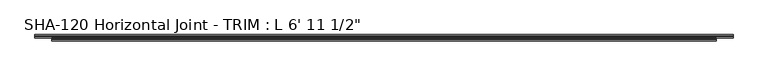
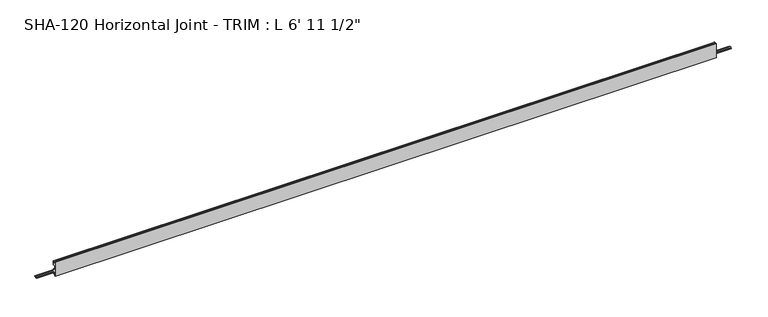
"""IFC4 building model written with IfcOpenShell, lengths in millimetres: proxy geometry."""

from ifc_helpers import new_model, si_unit, frame, origin, place, context, project, spatial, polyline, circle_curve, source, transform, mapped, element, save
from ifc_brep_helpers import plane_surface, cylinder_surface, revolved_surface, advanced_brep


def proxy_7db83fa3(model_context):
    return source(origin(), model_context, "Body", "AdvancedBrep", [
        advanced_brep(
        [(2120.9, -10.5641724, -14.5120878), (2120.9, -10.5641724, -16.0868881), (2120.9, -7.5495099, -16.0868881), (2120.9, -4.3999099, -16.0868881), (2120.9, -1.0391724, -16.0868881), (2120.9, -1.0391724, -14.5120878), (2120.9, -4.3999099, -14.5120878), (2120.9, -7.5495099, -14.5120878), (0.0, -10.5641724, -16.0868881), (0.0, -10.5641724, -14.5120878), (0.0, -7.5495099, -14.5120878), (0.0, -4.3999099, -14.5120878), (0.0, -1.0391724, -14.5120878), (0.0, -1.0391724, -16.0868881), (0.0, -4.3999099, -16.0868881), (0.0, -7.5495099, -16.0868881), (2070.1, -12.8855416, 21.9656491), (2070.1, -11.756868, 22.4248425), (2070.1, -10.5641724, 21.8995653), (50.8, -10.5641724, 21.8995653), (50.8, -11.756868, 22.4248425), (50.8, -12.8855416, 21.9656491), (2070.1, -10.5641724, 9.8147622), (50.8, -10.5641724, 9.8147622), (2070.1, -17.2443724, 9.8147622), (50.8, -17.2443724, 9.8147622), (2070.1, -18.5143724, 8.5447622), (50.8, -18.5143724, 8.5447622), (2070.1, -18.5143724, -4.3266878), (50.8, -18.5143724, -4.3266878), (2070.1, -10.5664, -4.3266878), (50.8, -10.5664, -4.3266878), (2070.1, -10.5664, -14.5120878), (50.8, -10.5664, -14.5120878), (2070.1, -10.5641724, -16.0868881), (50.8, -10.5664, -16.0868881), (2070.1, -10.5664, -17.6616881), (50.8, -10.5664, -17.6616881), (2070.1, -12.8070246, -17.6616881), (50.8, -12.8070246, -17.6616881), (2070.1, -14.7028353, -6.590154), (50.8, -14.7028353, -6.590154), (2070.1, -16.9116736, -6.590154), (50.8, -16.9116736, -6.590154), (2070.1, -16.9116736, -22.4241878), (50.8, -16.9116736, -22.4241878), (2070.1, -20.0891724, -22.4241878), (50.8, -20.0891724, -22.4241878), (2070.1, -20.0891724, 22.4241878), (50.8, -20.0891724, 22.4241878), (2070.1, -16.9116736, 22.4241878), (50.8, -16.9116736, 22.4241878), (2070.1, -16.9116736, 11.3895622), (50.8, -16.9116736, 11.3895622), (2070.1, -14.6965154, 11.3895622), (50.8, -14.6965154, 11.3895622)],
        [
            (0, 1),
            (1, 2),
            (2, 3, circle_curve(frame((2120.9, -5.9747099, -16.0868881), z_axis=(1.0, 0.0, 0.0), x_axis=(0.0, -1.0, 0.0)), 1.5748)),
            (3, 4),
            (4, 5),
            (5, 6),
            (6, 7, circle_curve(frame((2120.9, -5.9747099, -14.5120878), z_axis=(1.0, 0.0, 0.0), x_axis=(0.0, -1.0, 0.0)), 1.5748)),
            (7, 0),
            (8, 9),
            (9, 10),
            (10, 11, circle_curve(frame((0.0, -5.9747099, -14.5120878), z_axis=(-1.0, 0.0, 0.0), x_axis=(0.0, -1.0, 0.0)), 1.5748)),
            (11, 12),
            (12, 13),
            (13, 14),
            (14, 15, circle_curve(frame((0.0, -5.9747099, -16.0868881), z_axis=(-1.0, 0.0, 0.0), x_axis=(0.0, -1.0, 0.0)), 1.5748)),
            (15, 8),
            (16, 17, circle_curve(frame((2070.1, -11.756868, 20.808135), z_axis=(-1.0, 0.0, 0.0), x_axis=(0.0, -1.0, 0.0)), 1.6167075)),
            (17, 18, circle_curve(frame((2070.1, -11.756868, 20.808135), z_axis=(-1.0, 0.0, 0.0), x_axis=(0.0, -1.0, 0.0)), 1.6167075)),
            (18, 19),
            (19, 20, circle_curve(frame((50.8, -11.756868, 20.808135), z_axis=(1.0, 0.0, 0.0), x_axis=(0.0, -1.0, 0.0)), 1.6167075)),
            (20, 21, circle_curve(frame((50.8, -11.756868, 20.808135), z_axis=(1.0, 0.0, 0.0), x_axis=(0.0, -1.0, 0.0)), 1.6167075)),
            (21, 16),
            (18, 22),
            (22, 23),
            (23, 19),
            (22, 24),
            (24, 25),
            (25, 23),
            (24, 26, circle_curve(frame((2070.1, -17.2443724, 8.5447622), z_axis=(1.0, 0.0, 0.0), x_axis=(0.0, -1.0, 0.0)), 1.27)),
            (26, 27),
            (27, 25, circle_curve(frame((50.8, -17.2443724, 8.5447622), z_axis=(-1.0, 0.0, 0.0), x_axis=(0.0, -1.0, 0.0)), 1.27)),
            (26, 28),
            (28, 29),
            (29, 27),
            (28, 30),
            (30, 31),
            (31, 29),
            (30, 32),
            (32, 33),
            (33, 31),
            (7, 10),
            (9, 33),
            (32, 0),
            (6, 11),
            (5, 12),
            (4, 13),
            (3, 14),
            (2, 15),
            (1, 34),
            (34, 35),
            (35, 8),
            (34, 36),
            (36, 37),
            (37, 35),
            (36, 38),
            (38, 39),
            (39, 37),
            (38, 40),
            (40, 41),
            (41, 39),
            (40, 42),
            (42, 43),
            (43, 41),
            (42, 44),
            (44, 45),
            (45, 43),
            (44, 46),
            (46, 47),
            (47, 45),
            (46, 48),
            (48, 49),
            (49, 47),
            (48, 50),
            (50, 51),
            (51, 49),
            (50, 52),
            (52, 53),
            (53, 51),
            (52, 54),
            (54, 55),
            (55, 53),
            (21, 55),
            (54, 16),
            (35, 33),
            (32, 34),
        ],
        [
            plane_surface(frame((2120.9, -13.3735755, 20.808135), z_axis=(1.0, 0.0, 0.0), x_axis=(0.0, 0.0, 1.0))),
            plane_surface(frame((0.0, -13.3735755, 20.808135), z_axis=(-1.0, 0.0, 0.0), x_axis=(0.0, 0.0, -1.0))),
            cylinder_surface(frame((0.0, -11.756868, 20.808135), z_axis=(1.0, 0.0, 0.0), x_axis=(0.0, -1.0, 0.0)), 1.6167075),
            plane_surface(frame((2120.9, -10.5641724, 21.8995653), z_axis=(0.0, 1.0, 0.0), x_axis=(-1.0, 0.0, 0.0))),
            plane_surface(frame((2120.9, -10.5641724, 9.8147622), z_axis=(0.0, 0.0, -1.0), x_axis=(-1.0, 0.0, 0.0))),
            revolved_surface(polyline([(50.8, -18.5143724, 8.5447622), (2070.1, -18.5143724, 8.5447622)]), (0.0, -17.2443724, 8.5447622), (-1.0, 0.0, 0.0)),
            plane_surface(frame((2120.9, -18.5143724, 8.5447622), z_axis=(0.0, 1.0, 0.0), x_axis=(-1.0, 0.0, 0.0))),
            plane_surface(frame((2120.9, -18.5143724, -4.3266878), z_axis=(0.0, 0.0, 1.0), x_axis=(-1.0, 0.0, 0.0))),
            plane_surface(frame((2120.9, -10.5664, -4.3266878), z_axis=(0.0, 1.0, 0.0), x_axis=(-1.0, 0.0, 0.0))),
            plane_surface(frame((2120.9, -10.5664, -14.5120878), z_axis=(0.0, 0.0, 1.0), x_axis=(-1.0, 0.0, 0.0))),
            cylinder_surface(frame((0.0, -5.9747099, -14.5120878), z_axis=(1.0, 0.0, 0.0), x_axis=(0.0, -1.0, 0.0)), 1.5748),
            plane_surface(frame((2120.9, -4.3999099, -14.5120878), z_axis=(0.0, 0.0, 1.0), x_axis=(-1.0, 0.0, 0.0))),
            plane_surface(frame((2120.9, -1.0391724, -14.5120878), z_axis=(0.0, 1.0, 0.0), x_axis=(-1.0, 0.0, 0.0))),
            plane_surface(frame((2120.9, -1.0391724, -16.0868881), z_axis=(0.0, 0.0, -1.0), x_axis=(-1.0, 0.0, 0.0))),
            cylinder_surface(frame((0.0, -5.9747099, -16.0868881), z_axis=(1.0, 0.0, 0.0), x_axis=(0.0, -1.0, 0.0)), 1.5748),
            plane_surface(frame((2120.9, -7.5495099, -16.0868881), z_axis=(0.0, 0.0, -1.0), x_axis=(-1.0, 0.0, 0.0))),
            plane_surface(frame((2120.9, -10.5664, -16.0868881), z_axis=(0.0, 1.0, 0.0), x_axis=(-1.0, 0.0, 0.0))),
            plane_surface(frame((2120.9, -10.5664, -17.6616881), z_axis=(0.0, 1.2686311474070984e-12, -1.0), x_axis=(-1.0, 0.0, 0.0))),
            plane_surface(frame((2120.9, -12.8070246, -17.6616881), z_axis=(0.0, -0.9856543593992835, -0.1687764314031673), x_axis=(-1.0, 0.0, 0.0))),
            plane_surface(frame((2120.9, -14.7028353, -6.590154), z_axis=(0.0, 0.0, -1.0), x_axis=(-1.0, 0.0, 0.0))),
            plane_surface(frame((2120.9, -16.9116736, -6.590154), z_axis=(0.0, 1.0, 0.0), x_axis=(-1.0, 0.0, 0.0))),
            plane_surface(frame((2120.9, -16.9116736, -22.4241878), z_axis=(0.0, 0.0, -1.0), x_axis=(-1.0, 0.0, 0.0))),
            plane_surface(frame((2120.9, -20.0891724, -22.4241878), z_axis=(0.0, -1.0, 0.0), x_axis=(-1.0, 0.0, 0.0))),
            plane_surface(frame((2120.9, -20.0891724, 22.4241878), z_axis=(0.0, 0.0, 1.0), x_axis=(-1.0, 0.0, 0.0))),
            plane_surface(frame((2120.9, -16.9116736, 22.4241878), z_axis=(0.0, 1.0, 0.0), x_axis=(-1.0, 0.0, 0.0))),
            plane_surface(frame((2120.9, -16.9116736, 11.3895622), z_axis=(0.0, 0.0, 1.0), x_axis=(-1.0, 0.0, 0.0))),
            plane_surface(frame((2120.9, -14.6965154, 11.3895622), z_axis=(0.0, -0.9856543593990678, 0.16877643140442766), x_axis=(-1.0, 0.0, 0.0))),
            plane_surface(frame((2070.1, -10.5641724, 22.4248425), z_axis=(0.0, -1.0, 0.0), x_axis=(0.0, 0.0, -1.0))),
            plane_surface(frame((2070.1, -10.5641724, 22.4248425), z_axis=(1.0, 0.0, 0.0), x_axis=(0.0, -1.0, 0.0))),
            plane_surface(frame((50.8, -10.5641724, -22.4241878), z_axis=(-1.0, 0.0, 0.0), x_axis=(0.0, -1.0, 0.0))),
        ],
        [
            (0, [[1, 2, 3, 4, 5, 6, 7, 8]]),
            (1, [[9, 10, 11, 12, 13, 14, 15, 16]]),
            (2, [[17, 18, 19, 20, 21, 22]]),
            (3, [[23, 24, 25, -19]]),
            (4, [[26, 27, 28, -24]]),
            (5, [[29, 30, 31, -27]]),
            (6, [[32, 33, 34, -30]]),
            (7, [[35, 36, 37, -33]]),
            (8, [[38, 39, 40, -36]]),
            (9, [[41, -10, 42, -39, 43, -8]]),
            (10, [[44, -11, -41, -7]]),
            (11, [[45, -12, -44, -6]]),
            (12, [[46, -13, -45, -5]]),
            (13, [[47, -14, -46, -4]]),
            (14, [[48, -15, -47, -3]]),
            (15, [[49, 50, 51, -16, -48, -2]]),
            (16, [[52, 53, 54, -50]]),
            (17, [[55, 56, 57, -53]]),
            (18, [[58, 59, 60, -56]]),
            (19, [[61, 62, 63, -59]]),
            (20, [[64, 65, 66, -62]]),
            (21, [[67, 68, 69, -65]]),
            (22, [[70, 71, 72, -68]]),
            (23, [[73, 74, 75, -71]]),
            (24, [[76, 77, 78, -74]]),
            (25, [[79, 80, 81, -77]]),
            (26, [[82, -80, 83, -22]]),
            (27, [[-42, -9, -51, 84]]),
            (27, [[-49, -1, -43, 85]]),
            (28, [[-38, -35, -32, -29, -26, -23, -18, -17, -83, -79, -76, -73, -70, -67, -64, -61, -58, -55, -52, -85]]),
            (29, [[-54, -57, -60, -63, -66, -69, -72, -75, -78, -81, -82, -21, -20, -25, -28, -31, -34, -37, -40, -84]]),
        ],
    ),
    ])


if __name__ == "__main__":
    model = new_model("IFC4")
    model_context = context("Model", 3, world=origin())
    ifc_project = project(units=[si_unit("LENGTHUNIT", "METRE", prefix="MILLI")], contexts=[model_context])
    site = spatial("IfcSite", under=ifc_project)
    building = spatial("IfcBuilding", under=site)
    placement = place(None, origin())
    proxy_shape = proxy_7db83fa3(model_context)
    element("IfcBuildingElementProxy", 1, Name="SHA-120 Horizontal Joint - TRIM : L 6' 11 1/2\"", ObjectType="SHA-120 Horizontal Joint - TRIM : L 6' 11 1/2\"", at=placement, inside=building, context=model_context, shape_type="MappedRepresentation", body=[
        mapped(proxy_shape, transform((0.0, 0.0, 0.0), x_axis=(1.0, 0.0, 0.0), y_axis=(0.0, 1.0, 0.0), z_axis=(0.0, 0.0, 1.0))),
    ])
    save(model, "model.ifc")
